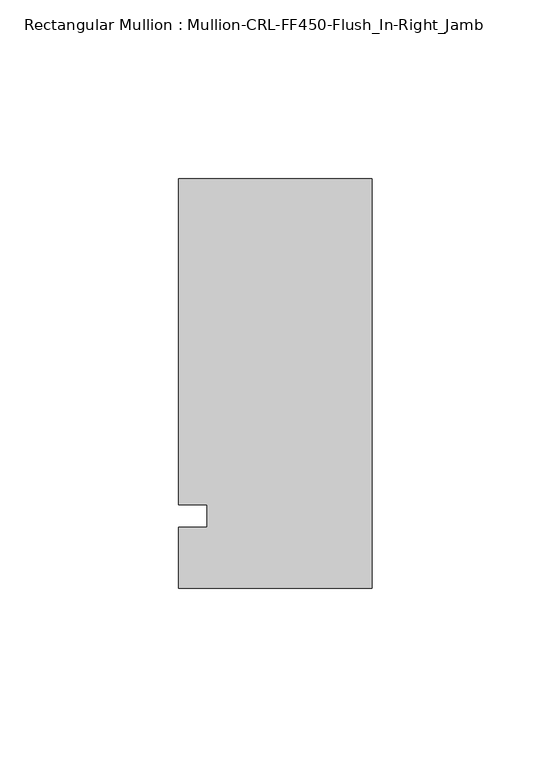
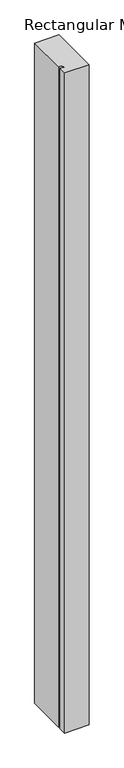
"""IFC4 building model written with IfcOpenShell, lengths in millimetres: member geometry, Rectangular Mullion : Mullion-CRL-FF450-Flush_In-Right_Jamb."""

from ifc_helpers import new_model, si_unit, frame, origin, place, context, project, spatial, polyline, outline, extrude, source, transform, mapped, element, save


def rectangular_mullion_mullion_crl_ff450_flush_in_right_jamb_212bde50(model_context):
    return source(origin(), model_context, "Body", "SweptSolid", [
        extrude(outline(polyline([(-53.9750401, 94.1823538), (0.0, 94.1823538), (0.0, -20.1176462), (-53.9750401, -20.1176462), (-53.9750401, -3.1555912), (-46.0375401, -3.1555912), (-46.0375401, 3.1944088), (-53.9750401, 3.1944088), (-53.9750401, 94.1823538)])), frame((0.0, 0.0, -1538.2875), z_axis=(0.0, 0.0, 1.0), x_axis=(1.0, 0.0, 0.0)), (0.0, 0.0, 1.0), 1538.2875),
    ])


if __name__ == "__main__":
    model = new_model("IFC4")
    model_context = context("Model", 3, world=origin())
    ifc_project = project(units=[si_unit("LENGTHUNIT", "METRE", prefix="MILLI")], contexts=[model_context])
    site = spatial("IfcSite", under=ifc_project)
    building = spatial("IfcBuilding", under=site)
    placement = place(None, origin())
    rectangular_mullion_mullion_crl_ff450_flush_in_right_jamb_shape = rectangular_mullion_mullion_crl_ff450_flush_in_right_jamb_212bde50(model_context)
    element("IfcMember", 1, ObjectType="Rectangular Mullion : Mullion-CRL-FF450-Flush_In-Right_Jamb", at=placement, inside=building, context=model_context, shape_type="MappedRepresentation", body=[
        mapped(rectangular_mullion_mullion_crl_ff450_flush_in_right_jamb_shape, transform((0.0, 0.0, 0.0), x_axis=(1.0, 0.0, 0.0), y_axis=(0.0, 1.0, 0.0), z_axis=(0.0, 0.0, 1.0))),
    ])
    save(model, "model.ifc")
